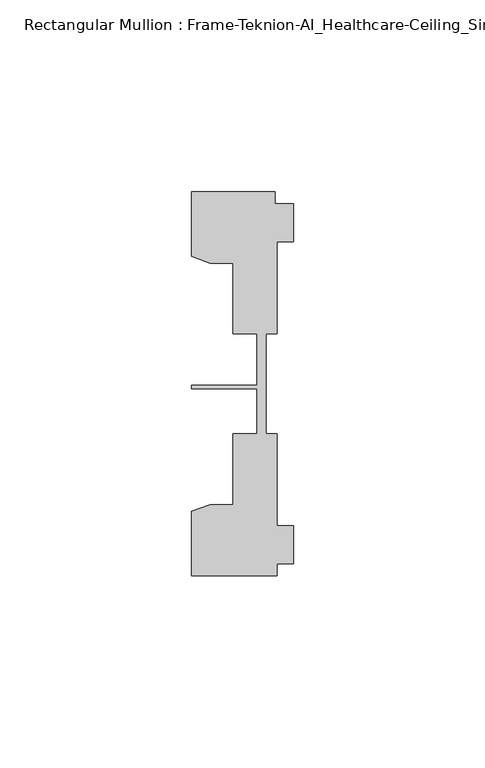
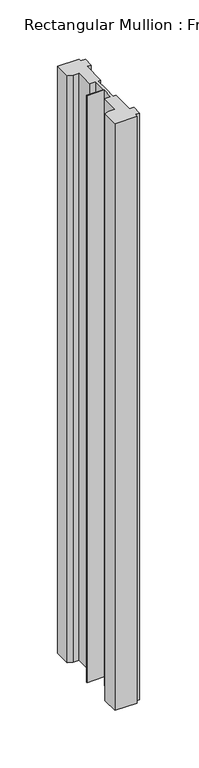
"""IFC4 building model written with IfcOpenShell, lengths in millimetres: member geometry, Rectangular Mullion : Frame-Teknion-AI_Healthcare-Ceiling_Single_Channel."""

from ifc_helpers import new_model, si_unit, frame, origin, place, context, project, spatial, polyline, outline, extrude, source, transform, mapped, element, save


def rectangular_mullion_frame_teknion_ai_healthcare_ceiling_bc7c6590(model_context):
    return source(origin(), model_context, "Body", "SweptSolid", [
        extrude(outline(polyline([(-26.4921999, 34.0201677), (-26.4921999, 50.8315128), (-4.7752002, 50.8315128), (-4.7752002, 47.782071), (0.0, 47.782071), (0.0, 37.7820716), (-4.2672007, 37.7820716), (-4.2672007, 13.9110722), (-7.1647766, 13.9110722), (-7.1647766, 0.0814804), (-7.1647766, -12.2509301), (-4.2672007, -12.2509301), (-4.2672007, -36.1219249), (0.0, -36.1219249), (0.0, -46.1219322), (-4.2672007, -46.1219322), (-4.2672007, -49.1699293), (-26.4921999, -49.1699293), (-26.4921999, -32.3600207), (-21.6625199, -30.6279561), (-15.6737764, -30.6279561), (-15.6737764, -12.2509301), (-9.4507761, -12.2509301), (-9.4507761, -0.4036528), (-26.4921999, -0.4036528), (-26.4921999, 0.4036528), (-9.4507761, 0.4036528), (-9.4507761, 13.9110722), (-15.6737764, 13.9110722), (-15.6737764, 32.2880982), (-21.6625199, 32.2880982), (-26.4921999, 34.0201677)])), frame((0.0, 0.0, -622.3), z_axis=(0.0, 0.0, 1.0), x_axis=(1.0, 0.0, 0.0)), (0.0, 0.0, 1.0), 622.3),
    ])


if __name__ == "__main__":
    model = new_model("IFC4")
    model_context = context("Model", 3, world=origin())
    ifc_project = project(units=[si_unit("LENGTHUNIT", "METRE", prefix="MILLI")], contexts=[model_context])
    site = spatial("IfcSite", under=ifc_project)
    building = spatial("IfcBuilding", under=site)
    placement = place(None, origin())
    rectangular_mullion_frame_teknion_ai_healthcare_ceiling_shape = rectangular_mullion_frame_teknion_ai_healthcare_ceiling_bc7c6590(model_context)
    element("IfcMember", 1, ObjectType="Rectangular Mullion : Frame-Teknion-AI_Healthcare-Ceiling_Single_Channel", at=placement, inside=building, context=model_context, shape_type="MappedRepresentation", body=[
        mapped(rectangular_mullion_frame_teknion_ai_healthcare_ceiling_shape, transform((0.0, 0.0, 0.0), x_axis=(1.0, 0.0, 0.0), y_axis=(0.0, 1.0, 0.0), z_axis=(0.0, 0.0, 1.0))),
    ])
    save(model, "model.ifc")
